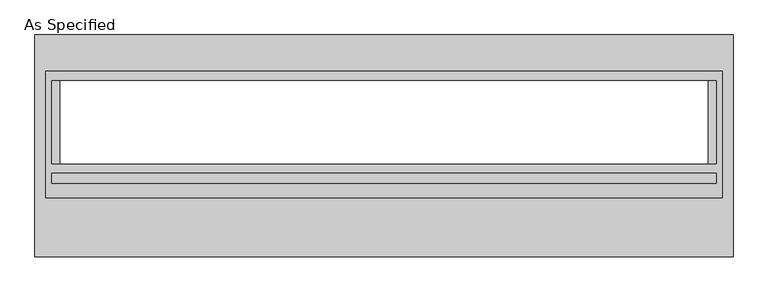
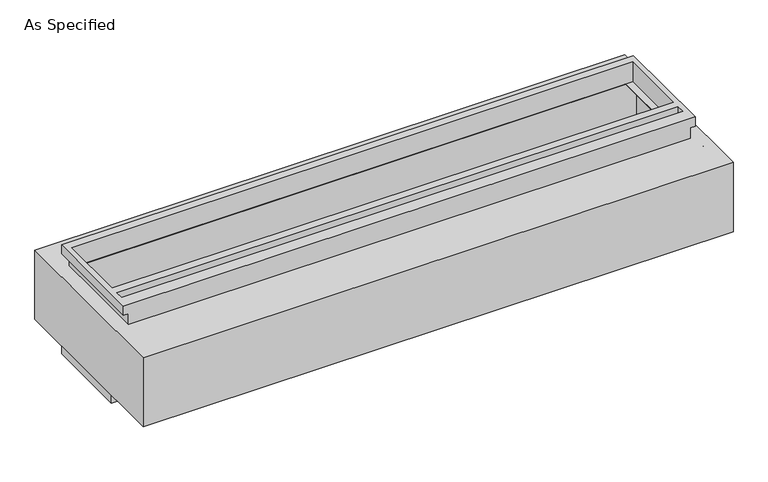
"""IFC4 building model written with IfcOpenShell, lengths in millimetres: proxy geometry, As Specified."""

from ifc_helpers import new_model, si_unit, frame, origin, place, context, project, spatial, polyline, circle_curve, faceted_brep, source, transform, mapped, element, save
from ifc_brep_helpers import plane_surface, revolved_surface, advanced_brep


def as_specified_9c986d4a(model_context):
    return source(origin(), model_context, "Body", "SolidModel", [
        faceted_brep([(2070.1, 456.4558594, -682.7242188), (2070.1, -165.8441406, -682.7242188), (-2070.1, -165.8441406, -682.7242188), (-2070.1, 456.4558594, -682.7242188), (2032.0, -108.7933661, -682.7242188), (2032.0, 399.2065905, -682.7242188), (-2032.0, 399.2065905, -682.7242188), (-2032.0, -108.7933661, -682.7242188), (-2035.175, -165.8441406, -530.3242188), (2035.175, -165.8441406, -530.3242188), (2035.175, 421.5308594, -530.3242188), (-2035.175, 421.5308594, -530.3242188), (2032.0, 399.2065905, -530.3242188), (2032.0, -108.7933661, -530.3242188), (-2032.0, -108.7933661, -530.3242188), (-2032.0, 399.2065905, -530.3242188), (-2070.1, 456.4558594, -612.8742188), (2070.1, 456.4558594, -612.8742188), (-2070.1, -165.8441406, -612.8742188), (2070.1, -165.8441406, -612.8742188), (2035.175, -165.8441406, -612.8742188), (-2035.175, -165.8441406, -612.8742188), (-2035.175, 421.5308594, -612.8742188), (2035.175, 421.5308594, -612.8742188)], [[[0, 1, 2, 3], [4, 5, 6, 7]], [[8, 9, 10, 11], [12, 13, 14, 15]], [[0, 3, 16, 17]], [[3, 2, 18, 16]], [[2, 1, 19, 20, 9, 8, 21, 18]], [[1, 0, 17, 19]], [[22, 23, 20, 19, 17, 16, 18, 21]], [[23, 10, 9, 20]], [[23, 22, 11, 10]], [[11, 22, 21, 8]], [[12, 5, 4, 13]], [[13, 4, 7, 14]], [[14, 7, 6, 15]], [[5, 12, 15, 6]]]),
        advanced_brep(
        [(2135.98125, 678.7058594, -530.3242188), (2135.98125, -678.7058594, -530.3242188), (-2135.98125, -678.7058594, -530.3242188), (-2135.98125, 678.7058594, -530.3242188), (1981.2, -108.7933661, -530.3242188), (1981.2, 399.2065905, -530.3242188), (-1981.2, 399.2065905, -530.3242188), (-1981.2, -108.7933661, -530.3242188), (2135.98125, 678.7058594, 0.0), (-2135.98125, 678.7058594, 0.0), (-2135.98125, -678.7058594, 0.0), (2135.98125, -678.7058594, 0.0), (1981.2, 399.2065905, 0.0), (1981.2, -108.7933661, 0.0), (-1981.2, -108.7933661, 0.0), (-1981.2, 399.2065905, 0.0), (2135.98125, -318.2441406, -430.3117188), (2135.98125, -340.4691406, -430.3117188), (2135.98125, -216.6441406, -430.3117188), (2135.98125, -238.8691406, -430.3117188), (2135.98125, -318.2441406, -100.1117188), (2135.98125, -340.4691406, -100.1117188), (2135.98125, -216.6441406, -100.1117188), (2135.98125, -238.8691406, -100.1117188), (2070.1, 416.7683594, -527.05), (-2070.1, 416.7683594, -527.05), (-2070.1, -129.3316406, -527.05), (2070.1, -129.3316406, -527.05), (1981.2, 399.2065905, -527.05), (1981.2, -108.7933661, -527.05), (-1981.2, -108.7933661, -527.05), (-1981.2, 399.2065905, -527.05), (2070.1, 416.7683594, -3.175), (2070.1, -129.3316406, -3.175), (-2070.1, -129.3316406, -3.175), (-2070.1, 416.7683594, -3.175), (1981.2, -108.7933661, -3.175), (1981.2, 399.2065905, -3.175), (-1981.2, 399.2065905, -3.175), (-1981.2, -108.7933661, -3.175), (2120.128271, -340.4691406, -430.3117188), (2120.128271, -318.2441406, -430.3117188), (2120.128271, -238.8691406, -430.3117188), (2120.128271, -216.6441406, -430.3117188), (2120.128271, -340.4691406, -100.1117188), (2120.128271, -318.2441406, -100.1117188), (2120.128271, -238.8691406, -100.1117188), (2120.128271, -216.6441406, -100.1117188)],
        [
            (0, 1),
            (1, 2),
            (2, 3),
            (3, 0),
            (4, 5),
            (5, 6),
            (6, 7),
            (7, 4),
            (8, 9),
            (9, 10),
            (10, 11),
            (11, 8),
            (12, 13),
            (13, 14),
            (14, 15),
            (15, 12),
            (3, 9),
            (8, 0),
            (2, 10),
            (1, 11),
            (16, 17, circle_curve(frame((2135.98125, -329.3566406, -430.3117188), z_axis=(-1.0, 0.0, 0.0), x_axis=(0.0, 1.0, 0.0)), 11.1125)),
            (17, 16, circle_curve(frame((2135.98125, -329.3566406, -430.3117188), z_axis=(-1.0, 0.0, 0.0), x_axis=(0.0, 1.0, 0.0)), 11.1125)),
            (18, 19, circle_curve(frame((2135.98125, -227.7566406, -430.3117188), z_axis=(-1.0, 0.0, 0.0), x_axis=(0.0, 1.0, 0.0)), 11.1125)),
            (19, 18, circle_curve(frame((2135.98125, -227.7566406, -430.3117188), z_axis=(-1.0, 0.0, 0.0), x_axis=(0.0, 1.0, 0.0)), 11.1125)),
            (20, 21, circle_curve(frame((2135.98125, -329.3566406, -100.1117188), z_axis=(-1.0, 0.0, 0.0), x_axis=(0.0, 1.0, 0.0)), 11.1125)),
            (21, 20, circle_curve(frame((2135.98125, -329.3566406, -100.1117188), z_axis=(-1.0, 0.0, 0.0), x_axis=(0.0, 1.0, 0.0)), 11.1125)),
            (22, 23, circle_curve(frame((2135.98125, -227.7566406, -100.1117188), z_axis=(-1.0, 0.0, 0.0), x_axis=(0.0, 1.0, 0.0)), 11.1125)),
            (23, 22, circle_curve(frame((2135.98125, -227.7566406, -100.1117188), z_axis=(-1.0, 0.0, 0.0), x_axis=(0.0, 1.0, 0.0)), 11.1125)),
            (24, 25),
            (25, 26),
            (26, 27),
            (27, 24),
            (28, 29),
            (29, 30),
            (30, 31),
            (31, 28),
            (32, 33),
            (33, 34),
            (34, 35),
            (35, 32),
            (36, 37),
            (37, 38),
            (38, 39),
            (39, 36),
            (27, 33),
            (32, 24),
            (26, 34),
            (25, 35),
            (12, 37),
            (36, 13),
            (39, 14),
            (38, 15),
            (40, 41, circle_curve(frame((2120.128271, -329.3566406, -430.3117188), z_axis=(1.0, 0.0, 0.0), x_axis=(0.0, 1.0, 0.0)), 11.1125)),
            (41, 40, circle_curve(frame((2120.128271, -329.3566406, -430.3117188), z_axis=(1.0, 0.0, 0.0), x_axis=(0.0, 1.0, 0.0)), 11.1125)),
            (42, 43, circle_curve(frame((2120.128271, -227.7566406, -430.3117188), z_axis=(1.0, 0.0, 0.0), x_axis=(0.0, 1.0, 0.0)), 11.1125)),
            (43, 42, circle_curve(frame((2120.128271, -227.7566406, -430.3117188), z_axis=(1.0, 0.0, 0.0), x_axis=(0.0, 1.0, 0.0)), 11.1125)),
            (44, 45, circle_curve(frame((2120.128271, -329.3566406, -100.1117188), z_axis=(1.0, 0.0, 0.0), x_axis=(0.0, 1.0, 0.0)), 11.1125)),
            (45, 44, circle_curve(frame((2120.128271, -329.3566406, -100.1117188), z_axis=(1.0, 0.0, 0.0), x_axis=(0.0, 1.0, 0.0)), 11.1125)),
            (46, 47, circle_curve(frame((2120.128271, -227.7566406, -100.1117188), z_axis=(1.0, 0.0, 0.0), x_axis=(0.0, 1.0, 0.0)), 11.1125)),
            (47, 46, circle_curve(frame((2120.128271, -227.7566406, -100.1117188), z_axis=(1.0, 0.0, 0.0), x_axis=(0.0, 1.0, 0.0)), 11.1125)),
            (40, 17),
            (16, 41),
            (42, 19),
            (18, 43),
            (44, 21),
            (20, 45),
            (46, 23),
            (22, 47),
            (4, 29),
            (28, 5),
            (7, 30),
            (6, 31),
        ],
        [
            plane_surface(frame((-2135.98125, 678.7058594, -530.3242188), z_axis=(0.0, 0.0, -1.0), x_axis=(1.0, 0.0, 0.0))),
            plane_surface(frame((-2135.98125, 678.7058594, 0.0), z_axis=(0.0, 0.0, 1.0), x_axis=(-1.0, 0.0, 0.0))),
            plane_surface(frame((2135.98125, 678.7058594, 0.0), z_axis=(0.0, 1.0, 0.0), x_axis=(0.0, 0.0, -1.0))),
            plane_surface(frame((-2135.98125, 678.7058594, 0.0), z_axis=(-1.0, 0.0, 0.0), x_axis=(0.0, 0.0, -1.0))),
            plane_surface(frame((-2135.98125, -678.7058594, 0.0), z_axis=(0.0, -1.0, 0.0), x_axis=(0.0, 0.0, -1.0))),
            plane_surface(frame((2135.98125, -678.7058594, 0.0), z_axis=(1.0, 0.0, 0.0), x_axis=(0.0, 0.0, -1.0))),
            plane_surface(frame((2070.1, 416.7683594, -527.05), z_axis=(0.0, 0.0, 1.0), x_axis=(0.0, -1.0, 0.0))),
            plane_surface(frame((2070.1, 416.7683594, -3.175), z_axis=(0.0, 0.0, -1.0), x_axis=(0.0, 1.0, 0.0))),
            plane_surface(frame((2070.1, 416.7683594, -527.05), z_axis=(-1.0, 0.0, 0.0), x_axis=(0.0, 0.0, 1.0))),
            plane_surface(frame((2070.1, -129.3316406, -527.05), z_axis=(0.0, 1.0, 0.0), x_axis=(0.0, 0.0, 1.0))),
            plane_surface(frame((-2070.1, -129.3316406, -527.05), z_axis=(1.0, 0.0, 0.0), x_axis=(0.0, 0.0, 1.0))),
            plane_surface(frame((-2070.1, 416.7683594, -527.05), z_axis=(0.0, -1.0, 0.0), x_axis=(0.0, 0.0, 1.0))),
            plane_surface(frame((1981.2, 399.2065905, -25.4), z_axis=(-1.0, 0.0, 0.0), x_axis=(0.0, 0.0, 1.0))),
            plane_surface(frame((1981.2, -108.7933661, -25.4), z_axis=(0.0, 1.0, 0.0), x_axis=(0.0, 0.0, 1.0))),
            plane_surface(frame((-1981.2, -108.7933661, -25.4), z_axis=(1.0, 0.0, 0.0), x_axis=(0.0, 0.0, 1.0))),
            plane_surface(frame((-1981.2, 399.2065905, -25.4), z_axis=(0.0, -1.0, 0.0), x_axis=(0.0, 0.0, 1.0))),
            plane_surface(frame((2120.128271, -318.2441406, -430.3117188), z_axis=(1.0, 0.0, 0.0), x_axis=(0.0, 0.0, -1.0))),
            revolved_surface(polyline([(2135.98125, -318.2441406, -430.3117188), (2120.128271, -318.2441406, -430.3117188)]), (2120.128271, -329.3566406, -430.3117188), (1.0, 0.0, 0.0)),
            revolved_surface(polyline([(2135.98125, -216.6441406, -430.3117188), (2120.128271, -216.6441406, -430.3117188)]), (0.0, -227.7566406, -430.3117188), (1.0, 0.0, 0.0)),
            revolved_surface(polyline([(2135.98125, -318.2441406, -100.1117187), (2120.128271, -318.2441406, -100.1117187)]), (0.0, -329.3566406, -100.1117187), (1.0, 0.0, 0.0)),
            revolved_surface(polyline([(2135.98125, -216.6441406, -100.1117188), (2120.128271, -216.6441406, -100.1117188)]), (0.0, -227.7566406, -100.1117188), (1.0, 0.0, 0.0)),
            plane_surface(frame((1981.2, -108.7933661, -504.9242188), z_axis=(-1.0, 0.0, 0.0), x_axis=(0.0, 0.0, -1.0))),
            plane_surface(frame((-1981.2, -108.7933661, -504.9242188), z_axis=(0.0, 1.0, 0.0), x_axis=(0.0, 0.0, -1.0))),
            plane_surface(frame((-1981.2, 399.2065905, -504.9242188), z_axis=(1.0, 0.0, 0.0), x_axis=(0.0, 0.0, -1.0))),
            plane_surface(frame((1981.2, 399.2065905, -504.9242188), z_axis=(0.0, -1.0, 0.0), x_axis=(0.0, 0.0, -1.0))),
        ],
        [
            (0, [[1, 2, 3, 4], [5, 6, 7, 8]]),
            (1, [[9, 10, 11, 12], [13, 14, 15, 16]]),
            (2, [[-4, 17, -9, 18]]),
            (3, [[-3, 19, -10, -17]]),
            (4, [[-2, 20, -11, -19]]),
            (5, [[-1, -18, -12, -20], [21, 22], [23, 24], [25, 26], [27, 28]]),
            (6, [[29, 30, 31, 32], [33, 34, 35, 36]]),
            (7, [[37, 38, 39, 40], [41, 42, 43, 44]]),
            (8, [[-32, 45, -37, 46]]),
            (9, [[-31, 47, -38, -45]]),
            (10, [[-30, 48, -39, -47]]),
            (11, [[-29, -46, -40, -48]]),
            (12, [[49, -41, 50, -13]]),
            (13, [[-50, -44, 51, -14]]),
            (14, [[-51, -43, 52, -15]]),
            (15, [[-49, -16, -52, -42]]),
            (16, [[53, 54]]),
            (16, [[55, 56]]),
            (16, [[57, 58]]),
            (16, [[59, 60]]),
            (17, [[-53, 61, -21, 62]]),
            (17, [[-54, -62, -22, -61]]),
            (18, [[-55, 63, -23, 64]]),
            (18, [[-56, -64, -24, -63]]),
            (19, [[-57, 65, -25, 66]]),
            (19, [[-58, -66, -26, -65]]),
            (20, [[-59, 67, -27, 68]]),
            (20, [[-60, -68, -28, -67]]),
            (21, [[69, -33, 70, -5]]),
            (22, [[-69, -8, 71, -34]]),
            (23, [[-71, -7, 72, -35]]),
            (24, [[-72, -6, -70, -36]]),
        ],
    ),
        faceted_brep([(2070.1, 456.4558594, 152.4), (-2070.1, 456.4558594, 152.4), (-2070.1, -318.2441406, 152.4), (2070.1, -318.2441406, 152.4), (2032.0, 399.2065905, 152.4), (2032.0, -108.7933661, 152.4), (-2032.0, -108.7933661, 152.4), (-2032.0, 399.2065905, 152.4), (2032.0, -167.4316406, 152.4), (2032.0, -227.7566406, 152.4), (-2032.0, -227.7566406, 152.4), (-2032.0, -167.4316406, 152.4), (2035.175, -318.2441406, 0.0), (-2035.175, -318.2441406, 0.0), (-2035.175, 421.5308594, 0.0), (2035.175, 421.5308594, 0.0), (2032.0, -108.7933661, 0.0), (2032.0, 399.2065905, 0.0), (-2032.0, 399.2065905, 0.0), (-2032.0, -108.7933661, 0.0), (2070.1, 456.4558594, 82.55), (-2070.1, 456.4558594, 82.55), (-2070.1, -318.2441406, 82.55), (-2035.175, -318.2441406, 82.55), (2035.175, -318.2441406, 82.55), (2070.1, -318.2441406, 82.55), (2035.175, 421.5308594, 82.55), (-2035.175, 421.5308594, 82.55), (2032.0, -167.4316406, 82.55), (-2032.0, -167.4316406, 82.55), (-2032.0, -227.7566406, 82.55), (2032.0, -227.7566406, 82.55)], [[[0, 1, 2, 3], [4, 5, 6, 7], [8, 9, 10, 11]], [[12, 13, 14, 15], [16, 17, 18, 19]], [[1, 0, 20, 21]], [[2, 1, 21, 22]], [[3, 2, 22, 23, 13, 12, 24, 25]], [[0, 3, 25, 20]], [[24, 26, 27, 23, 22, 21, 20, 25]], [[26, 24, 12, 15]], [[27, 26, 15, 14]], [[23, 27, 14, 13]], [[16, 5, 4, 17]], [[5, 16, 19, 6]], [[6, 19, 18, 7]], [[17, 4, 7, 18]], [[28, 29, 30, 31]], [[28, 31, 9, 8]], [[31, 30, 10, 9]], [[30, 29, 11, 10]], [[29, 28, 8, 11]]]),
    ])


if __name__ == "__main__":
    model = new_model("IFC4")
    model_context = context("Model", 3, world=origin())
    ifc_project = project(units=[si_unit("LENGTHUNIT", "METRE", prefix="MILLI")], contexts=[model_context])
    site = spatial("IfcSite", under=ifc_project)
    building = spatial("IfcBuilding", under=site)
    placement = place(None, origin())
    as_specified_shape = as_specified_9c986d4a(model_context)
    element("IfcBuildingElementProxy", 1, Name="As Specified", ObjectType="As Specified", at=placement, inside=building, context=model_context, shape_type="MappedRepresentation", body=[
        mapped(as_specified_shape, transform((0.0, 0.0, 0.0), x_axis=(1.0, 0.0, 0.0), y_axis=(0.0, 1.0, 0.0), z_axis=(0.0, 0.0, 1.0))),
    ])
    save(model, "model.ifc")
